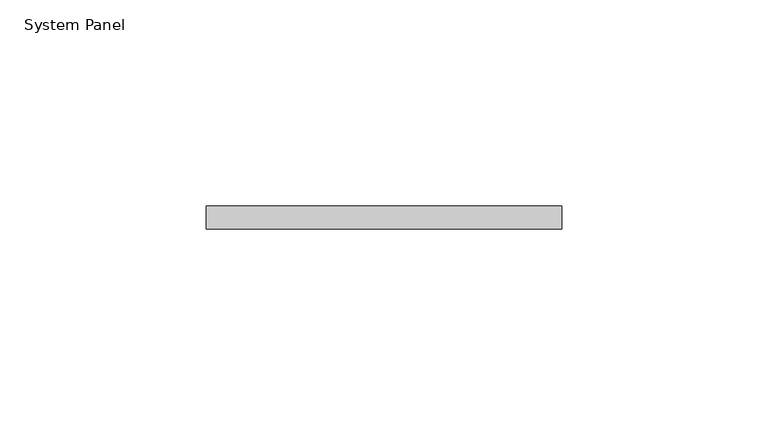
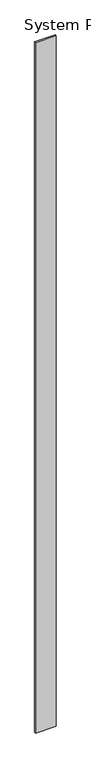
"""IFC4 building model written with IfcOpenShell, lengths in millimetres: plate geometry, System Panel."""

from ifc_helpers import new_model, si_unit, origin, origin_with_axes, place, context, project, spatial, polyline, outline, extrude, source, transform, mapped, element, save


def system_panel_fb915eef(model_context):
    return source(origin(), model_context, "Body", "SweptSolid", [
        extrude(outline(polyline([(43.1487522, 0.0), (-43.1487522, 0.0), (-43.1487522, 5.55625), (43.1487522, 5.55625), (43.1487522, 0.0)])), origin_with_axes(), (0.0, 0.0, 1.0), 3048.0),
    ])


if __name__ == "__main__":
    model = new_model("IFC4")
    model_context = context("Model", 3, world=origin())
    ifc_project = project(units=[si_unit("LENGTHUNIT", "METRE", prefix="MILLI")], contexts=[model_context])
    site = spatial("IfcSite", under=ifc_project)
    building = spatial("IfcBuilding", under=site)
    placement = place(None, origin())
    system_panel_shape = system_panel_fb915eef(model_context)
    element("IfcPlate", 1, ObjectType="System Panel", at=placement, inside=building, context=model_context, shape_type="MappedRepresentation", body=[
        mapped(system_panel_shape, transform((0.0, 0.0, 0.0), x_axis=(1.0, 0.0, 0.0), y_axis=(0.0, 1.0, 0.0), z_axis=(0.0, 0.0, 1.0))),
    ])
    save(model, "model.ifc")
